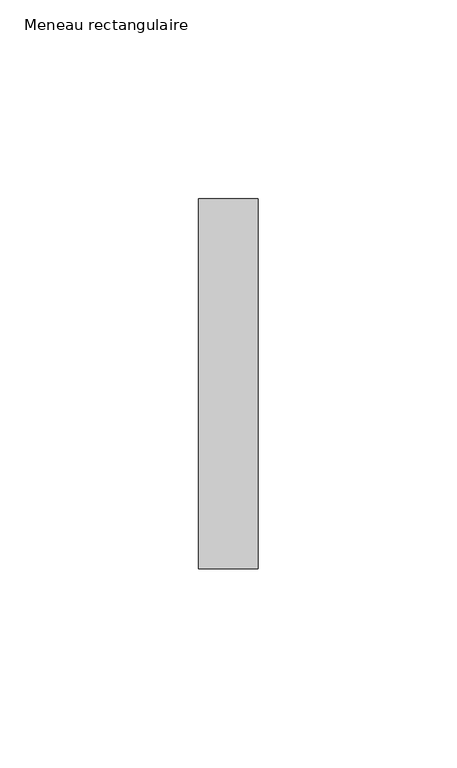
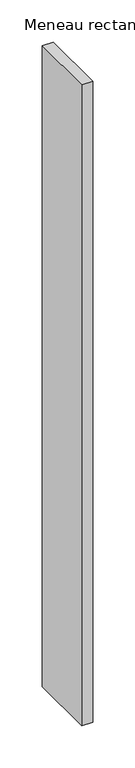
"""IFC4 building model written with IfcOpenShell, lengths in millimetres: member geometry, Meneau rectangulaire."""

import ifcopenshell
import ifcopenshell.guid

model = None  # the IFC model being written
_history = None  # IfcOwnerHistory: only IFC2X3 demands one
_inside = {}  # id of a spatial element -> (the spatial element, [elements in it])
_under = {}  # id of a project, library or spatial element -> (it, [spatial elements below it])
_declared = {}  # id of a project -> (the project, [libraries it declares])
_typed = {}  # id of a type object -> (the type object, [elements of that type])
_made_of = {}  # id of a material, layer set ... -> (it, [elements and type objects made of it])


def new_model(schema):
    """Start an empty IFC model of exactly this schema.

    Asked for "IFC4X3", IfcOpenShell would pick the latest addendum, in which some entities
    have other attributes; the version numbers below select the first issue.
    IFC2X3 requires an IfcOwnerHistory on every rooted entity: one is made here for all.
    """
    global model, _history
    if schema == "IFC4X3":
        model = ifcopenshell.file(schema_version=(4, 3, 0, 0))
    else:
        model = ifcopenshell.file(schema=schema)
    _inside.clear()
    _under.clear()
    _declared.clear()
    _typed.clear()
    _made_of.clear()
    _history = None
    if model.schema == "IFC2X3":
        org = make("IfcOrganization", Name="unknown")
        user = make(
            "IfcPersonAndOrganization",
            ThePerson=make("IfcPerson", FamilyName="unknown"),
            TheOrganization=org,
        )
        app = make(
            "IfcApplication",
            ApplicationDeveloper=org,
            Version="unknown",
            ApplicationFullName="unknown",
            ApplicationIdentifier="unknown",
        )
        _history = make(
            "IfcOwnerHistory",
            OwningUser=user,
            OwningApplication=app,
            ChangeAction="ADDED",
            CreationDate=0,
        )
    return model


def make(cls, **values):
    """One entity of the class cls with the attributes given. An attribute that is None is left unset."""
    return model.create_entity(
        cls, **{name: value for name, value in values.items() if value is not None}
    )


def rooted(cls, **values):
    """An entity with a GlobalId (a new one), such as an element, a storey or a relation."""
    return make(cls, GlobalId=ifcopenshell.guid.new(), OwnerHistory=_history, **values)


def si_unit(unit_type, name, prefix=None):
    """IfcSIUnit, for example si_unit("LENGTHUNIT", "METRE", prefix="MILLI")."""
    return make("IfcSIUnit", UnitType=unit_type, Prefix=prefix, Name=name)


def assignment(units):
    """IfcUnitAssignment: the units of a project."""
    return None if units is None else make("IfcUnitAssignment", Units=units)


def point(xyz):
    """IfcCartesianPoint."""
    return None if xyz is None else make("IfcCartesianPoint", Coordinates=xyz)


def direction(xyz):
    """IfcDirection."""
    return None if xyz is None else make("IfcDirection", DirectionRatios=xyz)


def frame(location, z_axis=None, x_axis=None):
    """IfcAxis2Placement3D, a coordinate frame: its origin and axes. An axis left out is left unset."""
    return make(
        "IfcAxis2Placement3D",
        Location=point(location),
        Axis=direction(z_axis),
        RefDirection=direction(x_axis),
    )


def origin():
    """The frame at (0, 0, 0) with its axes left unset."""
    return frame((0.0, 0.0, 0.0))


def place(relative_to, where):
    """IfcLocalPlacement: puts the frame where relative to a parent placement (None: the world)."""
    return make(
        "IfcLocalPlacement", PlacementRelTo=relative_to, RelativePlacement=where
    )


def context(
    kind, dimensions, precision=None, world=None, true_north=None, identifier=None
):
    """IfcGeometricRepresentationContext, for example the 3D "Model" context."""
    return make(
        "IfcGeometricRepresentationContext",
        ContextIdentifier=identifier,
        ContextType=kind,
        CoordinateSpaceDimension=dimensions,
        Precision=precision,
        WorldCoordinateSystem=world,
        TrueNorth=true_north,
    )


def project(units=None, contexts=None):
    """IfcProject with its units and contexts."""
    return rooted(
        "IfcProject",
        Name="project",
        RepresentationContexts=contexts,
        UnitsInContext=assignment(units),
    )


def spatial(cls, under=None, at=None, **own):
    """A site, building, storey or space (cls), placed at a placement, below another one or the project."""
    s = rooted(cls, ObjectPlacement=at, **own)
    if under is not None:
        _under.setdefault(under.id(), (under, []))[1].append(s)
    return s


def polyline(points):
    """IfcPolyline through the points."""
    return make("IfcPolyline", Points=[point(p) for p in points])


def outline(outer, holes=None, kind="AREA"):
    """IfcArbitraryClosedProfileDef: a profile drawn as a closed curve; with holes, ...WithVoids."""
    if holes is None:
        return make("IfcArbitraryClosedProfileDef", ProfileType=kind, OuterCurve=outer)
    return make(
        "IfcArbitraryProfileDefWithVoids",
        ProfileType=kind,
        OuterCurve=outer,
        InnerCurves=holes,
    )


def extrude(swept, where, along, depth):
    """IfcExtrudedAreaSolid: the profile swept, set in the frame where, extruded along a direction by depth."""
    return make(
        "IfcExtrudedAreaSolid",
        SweptArea=swept,
        Position=where,
        ExtrudedDirection=direction(along),
        Depth=depth,
    )


def shape(context_of_items, identifier, shape_type, items):
    """IfcShapeRepresentation: the items that make up one representation, for example the "Body"."""
    return make(
        "IfcShapeRepresentation",
        ContextOfItems=context_of_items,
        RepresentationIdentifier=identifier,
        RepresentationType=shape_type,
        Items=items,
    )


def source(mapping_origin, context_of_items, identifier, shape_type, items):
    """IfcRepresentationMap: a shape defined once, which mapped items show again and again."""
    return make(
        "IfcRepresentationMap",
        MappingOrigin=mapping_origin,
        MappedRepresentation=shape(context_of_items, identifier, shape_type, items),
    )


def transform(
    local_origin,
    x_axis=None,
    y_axis=None,
    z_axis=None,
    scale=None,
    scale2=None,
    scale3=None,
    uniform=True,
):
    """IfcCartesianTransformationOperator3D, or its non-uniform kind. x_axis, y_axis, z_axis: its Axis1, 2, 3."""
    if uniform:
        return make(
            "IfcCartesianTransformationOperator3D",
            Axis1=direction(x_axis),
            Axis2=direction(y_axis),
            LocalOrigin=point(local_origin),
            Scale=scale,
            Axis3=direction(z_axis),
        )
    return make(
        "IfcCartesianTransformationOperator3DnonUniform",
        Axis1=direction(x_axis),
        Axis2=direction(y_axis),
        LocalOrigin=point(local_origin),
        Scale=scale,
        Axis3=direction(z_axis),
        Scale2=scale2,
        Scale3=scale3,
    )


def mapped(mapping_source, mapping_target):
    """IfcMappedItem: shows the shape of a source again, moved by a transform."""
    return make(
        "IfcMappedItem", MappingSource=mapping_source, MappingTarget=mapping_target
    )


def made_of(thing, what):
    """Note that an element or type object is made of a material, layer set ...; save() writes the relation."""
    if what is not None:
        _made_of.setdefault(what.id(), (what, []))[1].append(thing)
    return thing


def element(
    cls,
    number,
    at=None,
    inside=None,
    cuts=None,
    type_object=None,
    material=None,
    context=None,
    identifier="Body",
    shape_type=None,
    held_by="IfcProductDefinitionShape",
    body=None,
    shapes=None,
    **own,
):
    """One element of the class cls, such as IfcWall. Its Tag is "e" and its number.

    at: its placement. inside: the storey or other place that contains it. cuts: it is an
    opening in that element (IfcRelVoidsElement). A single representation is given by context,
    identifier, shape_type and body (its items); several are given by shapes. held_by: the class
    of the entity that holds the representations. save() writes the other relations.
    """
    e = rooted(cls, Tag="e%d" % number, ObjectPlacement=at, **own)
    if body is not None:
        shapes = [shape(context, identifier, shape_type, body)]
    if shapes is not None:
        e.Representation = make(held_by, Representations=shapes)
    if inside is not None:
        _inside.setdefault(inside.id(), (inside, []))[1].append(e)
    if cuts is not None:
        rooted(
            "IfcRelVoidsElement", RelatingBuildingElement=cuts, RelatedOpeningElement=e
        )
    if type_object is not None:
        _typed.setdefault(type_object.id(), (type_object, []))[1].append(e)
    return made_of(e, material)


def aggregate(whole, parts):
    """IfcRelAggregates: a whole, such as a stair, and the parts it consists of."""
    return rooted("IfcRelAggregates", RelatingObject=whole, RelatedObjects=parts)


def save(model, path):
    """Write the relations noted so far, then the file.

    IfcRelAggregates (storeys below a building ...), IfcRelContainedInSpatialStructure (elements
    in a storey), IfcRelDefinesByType, IfcRelAssociatesMaterial and IfcRelDeclares: one each for
    every whole, place, type object, material and project.
    """
    for whole, parts in _under.values():
        aggregate(whole, parts)
    for where, things in _inside.values():
        rooted(
            "IfcRelContainedInSpatialStructure",
            RelatedElements=things,
            RelatingStructure=where,
        )
    for kind, things in _typed.values():
        rooted("IfcRelDefinesByType", RelatedObjects=things, RelatingType=kind)
    for what, things in _made_of.values():
        rooted("IfcRelAssociatesMaterial", RelatedObjects=things, RelatingMaterial=what)
    for by, libraries in _declared.values():
        rooted("IfcRelDeclares", RelatingContext=by, RelatedDefinitions=libraries)
    model.write(path)


def meneau_rectangulaire_402ce411(model_context):
    return source(origin(), model_context, "Body", "SweptSolid", [
        extrude(outline(polyline([(0.0, 46.5), (0.0, -46.5), (-15.0, -46.5), (-15.0, 46.5), (0.0, 46.5)])), frame((0.0, 0.0, -925.0040494), z_axis=(0.0, 0.0, 1.0), x_axis=(1.0, 0.0, 0.0)), (0.0, 0.0, 1.0), 925.0040494),
    ])


if __name__ == "__main__":
    model = new_model("IFC4")
    model_context = context("Model", 3, world=origin())
    ifc_project = project(units=[si_unit("LENGTHUNIT", "METRE", prefix="MILLI")], contexts=[model_context])
    site = spatial("IfcSite", under=ifc_project)
    building = spatial("IfcBuilding", under=site)
    placement = place(None, origin())
    meneau_rectangulaire_shape = meneau_rectangulaire_402ce411(model_context)
    element("IfcMember", 1, ObjectType="Meneau rectangulaire", at=placement, inside=building, context=model_context, shape_type="MappedRepresentation", body=[
        mapped(meneau_rectangulaire_shape, transform((0.0, 0.0, 0.0), x_axis=(1.0, 0.0, 0.0), y_axis=(0.0, 1.0, 0.0), z_axis=(0.0, 0.0, 1.0))),
    ])
    save(model, "model.ifc")
